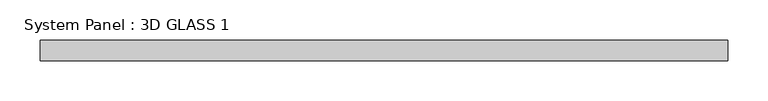
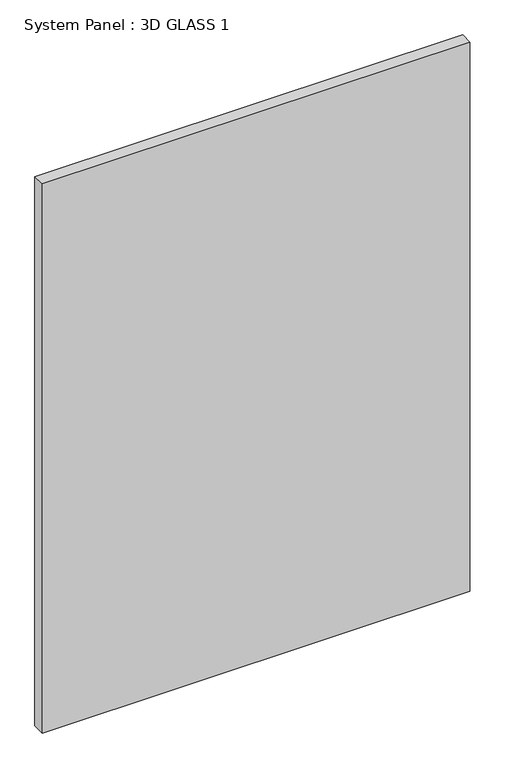
"""IFC4 building model written with IfcOpenShell, lengths in millimetres: plate geometry, System Panel : 3D GLASS 1."""

from ifc_helpers import new_model, si_unit, origin, origin_with_axes, place, context, project, spatial, polyline, outline, extrude, source, transform, mapped, element, save


def system_panel_3d_glass_1_428c6077(model_context):
    return source(origin(), model_context, "Body", "SweptSolid", [
        extrude(outline(polyline([(428.228125, -12.7), (-428.228125, -12.7), (-428.228125, 12.7), (428.228125, 12.7), (428.228125, -12.7)])), origin_with_axes(), (0.0, 0.0, 1.0), 1162.9845854),
    ])


if __name__ == "__main__":
    model = new_model("IFC4")
    model_context = context("Model", 3, world=origin())
    ifc_project = project(units=[si_unit("LENGTHUNIT", "METRE", prefix="MILLI")], contexts=[model_context])
    site = spatial("IfcSite", under=ifc_project)
    building = spatial("IfcBuilding", under=site)
    placement = place(None, origin())
    system_panel_3d_glass_1_shape = system_panel_3d_glass_1_428c6077(model_context)
    element("IfcPlate", 1, ObjectType="System Panel : 3D GLASS 1", at=placement, inside=building, context=model_context, shape_type="MappedRepresentation", body=[
        mapped(system_panel_3d_glass_1_shape, transform((0.0, 0.0, 0.0), x_axis=(1.0, 0.0, 0.0), y_axis=(0.0, 1.0, 0.0), z_axis=(0.0, 0.0, 1.0))),
    ])
    save(model, "model.ifc")
